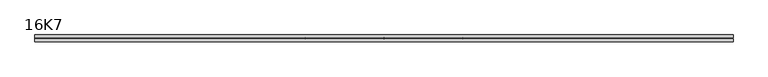
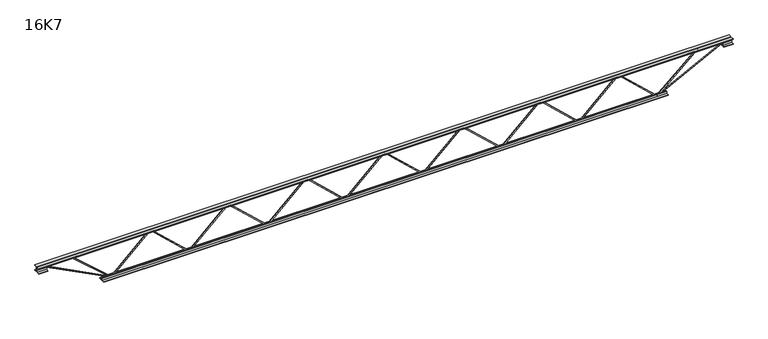
"""IFC4 building model written with IfcOpenShell, lengths in millimetres: beam geometry, 16K7."""

from ifc_helpers import new_model, si_unit, frame, origin, place, context, project, spatial, polyline, outline, extrude, source, transform, mapped, element, save


def beam_16k7_d59d5ebd(model_context):
    return source(origin(), model_context, "Body", "SweptSolid", [
        extrude(outline(polyline([(-191.9, 1280.5714286), (-201.4, 1280.5714286), (-201.4, 1285.6215844), (191.9, 1706.1287273), (191.9, 1708.7284156), (-201.4, 2129.2355584), (-201.4, 2134.2857143), (-191.9, 2134.2857143), (-191.9, 2132.9858701), (201.4, 1712.4787273), (201.4, 1702.3784156), (-191.9, 1281.8712727), (-191.9, 1280.5714286)])), frame((0.0, -4.75, 0.0), z_axis=(0.0, 1.0, 0.0), x_axis=(0.0, 0.0, 1.0)), (0.0, 0.0, 1.0), 9.5),
        extrude(outline(polyline([(-191.9, 426.8571429), (-201.4, 426.8571429), (-201.4, 431.9072987), (191.9, 852.4144416), (191.9, 855.0141299), (-201.4, 1275.5212727), (-201.4, 1280.5714286), (-191.9, 1280.5714286), (-191.9, 1279.2715844), (201.4, 858.7644416), (201.4, 848.6641299), (-191.9, 428.156987), (-191.9, 426.8571429)])), frame((0.0, -4.75, 0.0), z_axis=(0.0, 1.0, 0.0), x_axis=(0.0, 0.0, 1.0)), (0.0, 0.0, 1.0), 9.5),
        extrude(outline(polyline([(-191.9, -426.8571429), (-201.4, -426.8571429), (-201.4, -421.806987), (191.9, -1.2998442), (191.9, 1.2998442), (-201.4, 421.806987), (-201.4, 426.8571429), (-191.9, 426.8571429), (-191.9, 425.5572987), (201.4, 5.0501558), (201.4, -5.0501558), (-191.9, -425.5572987), (-191.9, -426.8571429)])), frame((0.0, -4.75, 0.0), z_axis=(0.0, 1.0, 0.0), x_axis=(0.0, 0.0, 1.0)), (0.0, 0.0, 1.0), 9.5),
        extrude(outline(polyline([(-191.9, -1280.5714286), (-201.4, -1280.5714286), (-201.4, -1275.5212727), (191.9, -855.0141299), (191.9, -852.4144416), (-201.4, -431.9072987), (-201.4, -426.8571429), (-191.9, -426.8571429), (-191.9, -428.156987), (201.4, -848.6641299), (201.4, -858.7644416), (-191.9, -1279.2715844), (-191.9, -1280.5714286)])), frame((0.0, -4.75, 0.0), z_axis=(0.0, 1.0, 0.0), x_axis=(0.0, 0.0, 1.0)), (0.0, 0.0, 1.0), 9.5),
        extrude(outline(polyline([(-191.9, -2134.2857143), (-201.4, -2134.2857143), (-201.4, -2129.2355584), (191.9, -1708.7284156), (191.9, -1706.1287273), (-201.4, -1285.6215844), (-201.4, -1280.5714286), (-191.9, -1280.5714286), (-191.9, -1281.8712727), (201.4, -1702.3784156), (201.4, -1712.4787273), (-191.9, -2132.9858701), (-191.9, -2134.2857143)])), frame((0.0, -4.75, 0.0), z_axis=(0.0, 1.0, 0.0), x_axis=(0.0, 0.0, 1.0)), (0.0, 0.0, 1.0), 9.5),
        extrude(outline(polyline([(-191.9, 2134.2857143), (-201.4, 2134.2857143), (-201.4, 2139.3358701), (191.9, 2559.843013), (191.9, 2562.4427013), (-201.4, 2982.9498442), (-201.4, 2988.0), (-191.9, 2988.0), (-191.9, 2986.7001558), (201.4, 2566.193013), (201.4, 2556.0927013), (-191.9, 2135.5855584), (-191.9, 2134.2857143)])), frame((0.0, -4.75, 0.0), z_axis=(0.0, 1.0, 0.0), x_axis=(0.0, 0.0, 1.0)), (0.0, 0.0, 1.0), 9.5),
        extrude(outline(polyline([(-191.9, -2988.0), (-201.4, -2988.0), (-201.4, -2982.9498442), (191.9, -2562.4427013), (191.9, -2559.843013), (-201.4, -2139.3358701), (-201.4, -2134.2857143), (-191.9, -2134.2857143), (-191.9, -2135.5855584), (201.4, -2556.0927013), (201.4, -2566.193013), (-191.9, -2986.7001558), (-191.9, -2988.0)])), frame((0.0, -4.75, 0.0), z_axis=(0.0, 1.0, 0.0), x_axis=(0.0, 0.0, 1.0)), (0.0, 0.0, 1.0), 9.5),
        extrude(outline(polyline([(4.75, 203.0), (36.75, 203.0), (36.75, 196.5), (11.25, 196.5), (11.25, 171.0), (4.75, 171.0), (4.75, 203.0)])), frame((-3800.0, 0.0, 0.0), z_axis=(1.0, 0.0, 0.0), x_axis=(0.0, 1.0, 0.0)), (0.0, 0.0, 1.0), 7600.0),
        extrude(outline(polyline([(-4.75, 203.0), (-4.75, 171.0), (-11.25, 171.0), (-11.25, 196.5), (-36.75, 196.5), (-36.75, 203.0), (-4.75, 203.0)])), frame((-3800.0, 0.0, 0.0), z_axis=(1.0, 0.0, 0.0), x_axis=(0.0, 1.0, 0.0)), (0.0, 0.0, 1.0), 7600.0),
        extrude(outline(polyline([(-4.75, 139.5), (-36.75, 139.5), (-36.75, 146.0), (-11.25, 146.0), (-11.25, 171.0), (-4.75, 171.0), (-4.75, 139.5)])), frame((-3800.0, 0.0, 0.0), z_axis=(1.0, 0.0, 0.0), x_axis=(0.0, 1.0, 0.0)), (0.0, 0.0, 1.0), 100.0),
        extrude(outline(polyline([(36.75, 139.5), (4.75, 139.5), (4.75, 171.0), (11.25, 171.0), (11.25, 146.0), (36.75, 146.0), (36.75, 139.5)])), frame((-3800.0, 0.0, 0.0), z_axis=(1.0, 0.0, 0.0), x_axis=(0.0, 1.0, 0.0)), (0.0, 0.0, 1.0), 100.0),
        extrude(outline(polyline([(4.75, 139.5), (4.75, 171.0), (11.25, 171.0), (11.25, 146.0), (36.75, 146.0), (36.75, 139.5), (4.75, 139.5)])), frame((3700.0, 0.0, 0.0), z_axis=(1.0, 0.0, 0.0), x_axis=(0.0, 1.0, 0.0)), (0.0, 0.0, 1.0), 100.0),
        extrude(outline(polyline([(-4.75, 139.5), (-36.75, 139.5), (-36.75, 146.0), (-11.25, 146.0), (-11.25, 171.0), (-4.75, 171.0), (-4.75, 139.5)])), frame((3700.0, 0.0, 0.0), z_axis=(1.0, 0.0, 0.0), x_axis=(0.0, 1.0, 0.0)), (0.0, 0.0, 1.0), 100.0),
        extrude(outline(polyline([(4.75, -203.0), (4.75, -171.0), (11.25, -171.0), (11.25, -196.5), (36.75, -196.5), (36.75, -203.0), (4.75, -203.0)])), frame((-3088.0, 0.0, 0.0), z_axis=(1.0, 0.0, 0.0), x_axis=(0.0, 1.0, 0.0)), (0.0, 0.0, 1.0), 6176.0),
        extrude(outline(polyline([(-4.75, -203.0), (-36.75, -203.0), (-36.75, -196.5), (-11.25, -196.5), (-11.25, -171.0), (-4.75, -171.0), (-4.75, -203.0)])), frame((-3088.0, 0.0, 0.0), z_axis=(1.0, 0.0, 0.0), x_axis=(0.0, 1.0, 0.0)), (0.0, 0.0, 1.0), 6176.0),
        extrude(outline(polyline([(-200.8705467, -2990.1793315), (-192.4294533, -2985.8206685), (175.75, -3698.8460208), (175.75, -3800.0), (166.25, -3800.0), (166.25, -3701.1539792), (-200.8705467, -2990.1793315)])), frame((0.0, -4.75, 0.0), z_axis=(0.0, 1.0, 0.0), x_axis=(0.0, 0.0, 1.0)), (0.0, 0.0, 1.0), 9.5),
        extrude(outline(polyline([(188.7, -3434.8142857), (179.2, -3434.8142857), (179.2, -3423.9016777), (-200.2216796, -2991.1313903), (-193.0783204, -2984.8686097), (188.7, -3420.3268937), (188.7, -3434.8142857)])), frame((0.0, -4.75, 0.0), z_axis=(0.0, 1.0, 0.0), x_axis=(0.0, 0.0, 1.0)), (0.0, 0.0, 1.0), 9.5),
        extrude(outline(polyline([(0.0, -9.5), (0.0, 0.0), (801.3179909, 0.0), (801.3179909, -9.5), (0.0, -9.5)])), frame((3702.1793315, -4.75, 166.7794533), z_axis=(-0.4588066213244962, 0.0, 0.8885361468329808), x_axis=(-0.8885361468329808, 0.0, -0.4588066213244962)), (0.0, 0.0, 1.0), 9.5),
        extrude(outline(polyline([(0.0, -9.5), (0.0, 0.0), (591.1798609, 0.0), (591.1798609, -9.5), (0.0, -9.5)])), frame((3432.5315075, -4.75, 193.1036778), z_axis=(-0.6652797667821982, 0.0, 0.7465941547522482), x_axis=(-0.7465941547522482, 0.0, -0.6652797667821982)), (0.0, 0.0, 1.0), 9.5),
    ])


if __name__ == "__main__":
    model = new_model("IFC4")
    model_context = context("Model", 3, world=origin())
    ifc_project = project(units=[si_unit("LENGTHUNIT", "METRE", prefix="MILLI")], contexts=[model_context])
    site = spatial("IfcSite", under=ifc_project)
    building = spatial("IfcBuilding", under=site)
    placement = place(None, origin())
    beam_16k7_shape = beam_16k7_d59d5ebd(model_context)
    element("IfcBeam", 1, ObjectType="16K7", at=placement, inside=building, context=model_context, shape_type="MappedRepresentation", body=[
        mapped(beam_16k7_shape, transform((0.0, 0.0, 0.0), x_axis=(1.0, 0.0, 0.0), y_axis=(0.0, 1.0, 0.0), z_axis=(0.0, 0.0, 1.0))),
    ])
    save(model, "model.ifc")
